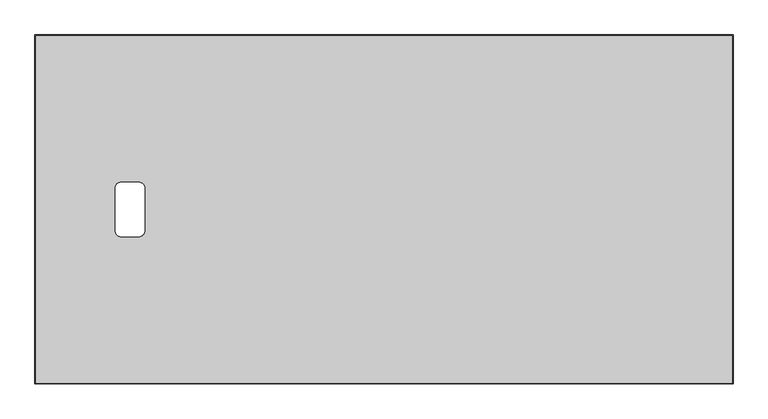
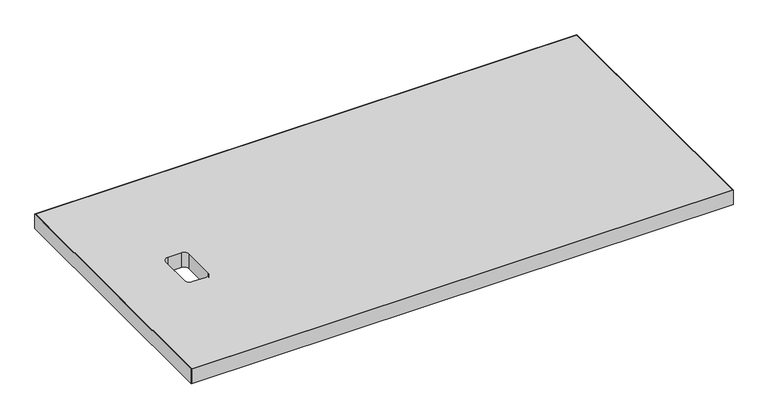
"""IFC4 building model written with IfcOpenShell, lengths in millimetres: furniture geometry."""

from ifc_helpers import new_model, si_unit, point, frame, frame_2d, origin, place, context, project, spatial, polyline, circle_curve, trimmed, segment, composite_curve, outline, extrude, source, transform, mapped, element, save


def furniture_b1d61b6a(model_context):
    return source(origin(), model_context, "Body", "SweptSolid", [
        extrude(outline(polyline([(1065.784, 532.384), (1065.784, 1.016), (1.016, 1.016), (1.016, 532.384), (1065.784, 532.384)]), holes=[composite_curve([segment(polyline([(122.4280013, 298.9580056), (122.4280013, 234.4419944)]), True, "CONTINUOUS"), segment(trimmed(circle_curve(frame_2d((131.9530013, 234.4419944)), 9.525), [point((122.4280013, 234.4419944))], [point((131.9530013, 224.9169944))], True, "CARTESIAN"), True, "CONTINUOUS"), segment(polyline([(131.9530013, 224.9169944), (158.3690034, 224.9169944)]), True, "CONTINUOUS"), segment(trimmed(circle_curve(frame_2d((158.3690034, 234.4419944)), 9.525), [point((158.3690034, 224.9169944))], [point((167.8940034, 234.4419944))], True, "CARTESIAN"), True, "CONTINUOUS"), segment(polyline([(167.8940034, 234.4419944), (167.8940034, 298.9579874)]), True, "CONTINUOUS"), segment(trimmed(circle_curve(frame_2d((158.3690034, 298.9579874)), 9.525), [point((167.8940034, 298.9579874))], [point((158.3690034, 308.4829874))], True, "CARTESIAN"), True, "CONTINUOUS"), segment(polyline([(158.3690034, 308.4829874), (131.9529832, 308.4829874)]), True, "CONTINUOUS"), segment(trimmed(circle_curve(frame_2d((131.9529832, 298.9580056)), 9.5249818), [point((131.9529832, 308.4829874))], [point((122.4280013, 298.9580056))], True, "CARTESIAN"), True, "CONTINUOUS")], self_intersect=False)]), frame((0.0, 0.0, 697.2297529), z_axis=(0.0, 0.0, 1.0), x_axis=(1.0, 0.0, 0.0)), (0.0, 0.0, 1.0), 29.972),
        extrude(outline(polyline([(1066.8, 0.0), (0.0, 0.0), (0.0, 533.4), (1066.8, 533.4), (1066.8, 0.0)]), holes=[polyline([(1065.784, 532.384), (1.016, 532.384), (1.016, 1.016), (1065.784, 1.016), (1065.784, 532.384)])]), frame((0.0, 0.0, 697.2297529), z_axis=(0.0, 0.0, 1.0), x_axis=(1.0, 0.0, 0.0)), (0.0, 0.0, 1.0), 29.972),
    ])


if __name__ == "__main__":
    model = new_model("IFC4")
    model_context = context("Model", 3, world=origin())
    ifc_project = project(units=[si_unit("LENGTHUNIT", "METRE", prefix="MILLI")], contexts=[model_context])
    site = spatial("IfcSite", under=ifc_project)
    building = spatial("IfcBuilding", under=site)
    placement = place(None, origin())
    furniture_shape = furniture_b1d61b6a(model_context)
    element("IfcFurniture", 1, at=placement, inside=building, context=model_context, shape_type="MappedRepresentation", body=[
        mapped(furniture_shape, transform((0.0, 0.0, 0.0), x_axis=(1.0, 0.0, 0.0), y_axis=(0.0, 1.0, 0.0), z_axis=(0.0, 0.0, 1.0))),
    ])
    save(model, "model.ifc")
